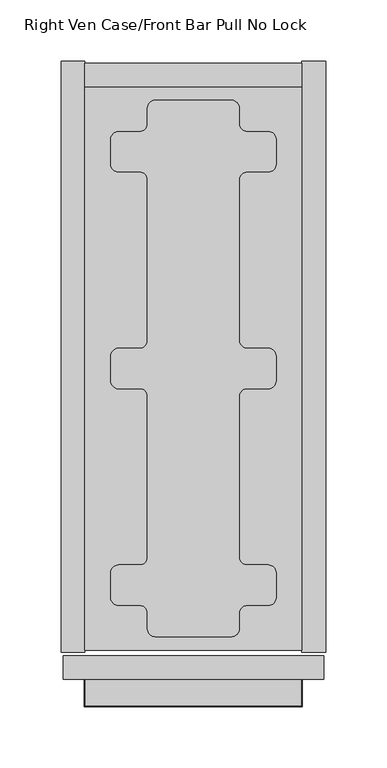
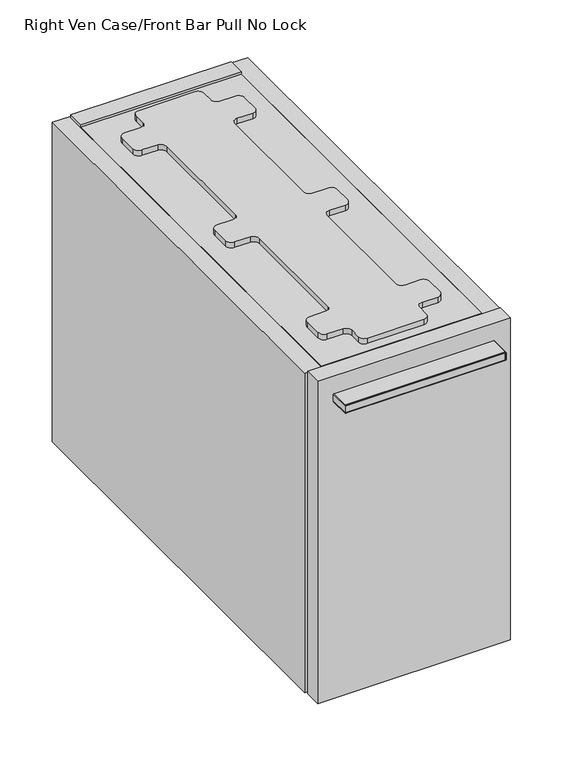
"""IFC4 building model written with IfcOpenShell, lengths in millimetres: furniture geometry, Right Ven Case/Front Bar Pull No Lock."""

from ifc_helpers import new_model, si_unit, point, frame, frame_2d, origin, place, context, project, spatial, polyline, circle_curve, ellipse_curve, trimmed, segment, composite_curve, outline, extrude, source, transform, mapped, element, save
from ifc_brep_helpers import plane_surface, cylinder_surface, revolved_surface, advanced_brep


def right_ven_case_front_bar_pull_no_lock_b028e070(model_context):
    return source(origin(), model_context, "Body", "SolidModel", [
        advanced_brep(
        [(19.7683778, -581.1520271, 637.437981), (49.4603655, -581.1520271, 637.437981), (49.4637762, -597.06699, 637.437981), (166.4396285, -597.06699, 637.437981), (166.4430392, -581.1520271, 637.437981), (196.1316162, -581.1520271, 637.437981), (196.1316162, -602.6150339, 637.437981), (19.7683778, -602.6150339, 637.437981), (196.1316162, -581.1520271, 646.962981), (19.7683778, -581.1520271, 646.962981), (19.7683778, -602.6150339, 646.962981), (196.1316162, -602.6150339, 646.962981), (165.6442639, -581.1520271, 638.1487745), (159.3341925, -581.1520271, 643.7879532), (56.5658015, -581.1520271, 643.7879532), (50.2557301, -581.1520271, 638.1487745), (56.5658015, -597.06699, 643.7879532), (159.3341925, -597.06699, 643.7879532), (165.6442639, -597.06699, 638.1487745), (50.2557301, -597.06699, 638.1487745)],
        [
            (0, 1),
            (1, 2),
            (2, 3),
            (3, 4),
            (4, 5),
            (5, 6),
            (6, 7),
            (7, 0),
            (8, 9),
            (9, 10),
            (10, 11),
            (11, 8),
            (8, 5),
            (4, 12, circle_curve(frame((166.4396285, -581.1520271, 638.2383687), z_axis=(0.0, 1.0, 0.0), x_axis=(0.0, 0.0, -1.0)), 0.8003949)),
            (12, 13, circle_curve(frame((159.3341925, -581.1520271, 637.4379738), z_axis=(0.0, -1.0, 0.0), x_axis=(0.0, 0.0, -1.0)), 6.3499794)),
            (13, 14),
            (14, 15, circle_curve(frame((56.5658015, -581.1520271, 637.4379738), z_axis=(0.0, -1.0, 0.0), x_axis=(0.0, 0.0, -1.0)), 6.3499794)),
            (15, 1, circle_curve(frame((49.4603655, -581.1520271, 638.2383687), z_axis=(0.0, 1.0, 0.0), x_axis=(0.0, 0.0, -1.0)), 0.8003949)),
            (0, 9),
            (7, 10),
            (6, 11),
            (16, 17),
            (17, 18, circle_curve(frame((159.3341925, -597.06699, 637.4379738), z_axis=(0.0, 1.0, 0.0), x_axis=(0.0, 0.0, -1.0)), 6.3499794)),
            (18, 3, circle_curve(frame((166.4396285, -597.06699, 638.2383687), z_axis=(0.0, -1.0, 0.0), x_axis=(0.0, 0.0, -1.0)), 0.8003949)),
            (2, 19, circle_curve(frame((49.4603655, -597.06699, 638.2383687), z_axis=(0.0, -1.0, 0.0), x_axis=(0.0, 0.0, -1.0)), 0.8003949)),
            (19, 16, circle_curve(frame((56.5658015, -597.06699, 637.4379738), z_axis=(0.0, 1.0, 0.0), x_axis=(0.0, 0.0, -1.0)), 6.3499794)),
            (19, 15),
            (14, 16),
            (18, 12),
            (17, 13),
        ],
        [
            plane_surface(frame((-88.5000089, -581.1520271, 637.437981), z_axis=(0.0, 0.0, -1.0), x_axis=(-1.0, 0.0, 0.0))),
            plane_surface(frame((-88.5000089, -581.1520271, 646.962981), z_axis=(0.0, 0.0, 1.0), x_axis=(1.0, 0.0, 0.0))),
            plane_surface(frame((196.1316162, -581.1520271, 637.437981), z_axis=(0.0, 1.0, 0.0), x_axis=(0.0, 0.0, 1.0))),
            plane_surface(frame((19.7683778, -581.1520271, 637.437981), z_axis=(-1.0, 0.0, 0.0), x_axis=(0.0, 0.0, 1.0))),
            plane_surface(frame((19.7683778, -602.6150339, 637.437981), z_axis=(0.0, -1.0, 0.0), x_axis=(0.0, 0.0, 1.0))),
            plane_surface(frame((196.1316162, -602.6150339, 637.437981), z_axis=(1.0, 0.0, 0.0), x_axis=(0.0, 0.0, 1.0))),
            plane_surface(frame((107.949997, -597.06699, 642.200481), z_axis=(0.0, 1.0, 0.0), x_axis=(-1.0, 0.0, 0.0))),
            revolved_surface(polyline([(56.5658015, -581.1520271, 631.0879944), (56.5658015, -597.06699, 631.0879944)]), (56.5658015, -581.1520271, 637.4379738), (0.0, 1.0, 0.0)),
            cylinder_surface(frame((49.4603655, -581.1520271, 638.2383687), z_axis=(0.0, -1.0, 0.0), x_axis=(0.0, 0.0, -1.0)), 0.8003949),
            cylinder_surface(frame((166.4396285, -581.1520271, 638.2383687), z_axis=(0.0, -1.0, 0.0), x_axis=(0.0, 0.0, -1.0)), 0.8003949),
            revolved_surface(polyline([(159.3341925, -581.1520271, 631.0879944), (159.3341925, -597.06699, 631.0879944)]), (159.3341925, -581.1520271, 637.4379738), (0.0, 1.0, 0.0)),
            plane_surface(frame((159.3341925, -581.1520271, 643.7879532), z_axis=(0.0, 0.0, -1.0), x_axis=(0.0, -1.0, 0.0))),
        ],
        [
            (0, [[1, 2, 3, 4, 5, 6, 7, 8]]),
            (1, [[9, 10, 11, 12]]),
            (2, [[13, -5, 14, 15, 16, 17, 18, -1, 19, -9]]),
            (3, [[20, -10, -19, -8]]),
            (4, [[21, -11, -20, -7]]),
            (5, [[-13, -12, -21, -6]]),
            (6, [[22, 23, 24, -3, 25, 26]]),
            (7, [[27, -17, 28, -26]]),
            (8, [[-2, -18, -27, -25]]),
            (9, [[29, -14, -4, -24]]),
            (10, [[30, -15, -29, -23]]),
            (11, [[-28, -16, -30, -22]]),
        ],
    ),
        advanced_brep(
        [(196.1316162, -581.1520271, 637.4379629), (196.1316162, -581.1520271, 646.9577374), (196.8935973, -581.1520271, 646.1957018), (196.8935973, -581.1520271, 638.1999258), (196.8935973, -603.377015, 638.1999258), (196.1316162, -602.6150339, 637.4379629), (196.8935973, -603.377015, 646.1957018), (196.1316162, -602.6150339, 646.9577374), (19.0063967, -603.377015, 638.1999258), (19.7683778, -602.6150339, 637.4379629), (19.0063967, -603.377015, 646.1957018), (19.7683778, -602.6150339, 646.9577374), (19.7683778, -581.1520271, 637.4379629), (19.0063967, -581.1520271, 638.1999258), (19.0063967, -581.1520271, 646.1957018), (19.7683778, -581.1520271, 646.9577374)],
        [
            (0, 1),
            (1, 2, circle_curve(frame((196.1315617, -581.1520271, 646.1957018), z_axis=(0.0, 1.0, 0.0), x_axis=(-1.0, 0.0, 0.0)), 0.7620356)),
            (2, 3),
            (3, 0, circle_curve(frame((196.1316343, -581.1520271, 638.1999258), z_axis=(0.0, 1.0, 0.0), x_axis=(-1.0, 0.0, 0.0)), 0.7619629)),
            (3, 4),
            (4, 5, ellipse_curve(frame((196.1316343, -602.6150521, 638.1999258), z_axis=(0.7071067811865492, 0.7071067811865458, 0.0), x_axis=(-0.7071067811865457, 0.7071067811865492, 0.0)), 1.0775783, 0.7619629)),
            (5, 0),
            (2, 6),
            (6, 4),
            (1, 7),
            (7, 6, ellipse_curve(frame((196.1315617, -602.6149794, 646.1957018), z_axis=(0.7071067811865492, 0.7071067811865458, 0.0), x_axis=(-0.7071067811865457, 0.7071067811865492, 0.0)), 1.0776811, 0.7620356)),
            (5, 7),
            (4, 8),
            (8, 9, ellipse_curve(frame((19.7683596, -602.6150521, 638.1999258), z_axis=(0.7071067811865458, -0.7071067811865492, 0.0), x_axis=(0.7071067811865492, 0.7071067811865457, 0.0)), 1.0775783, 0.7619629)),
            (9, 5),
            (6, 10),
            (10, 8),
            (7, 11),
            (11, 10, ellipse_curve(frame((19.7684323, -602.6149794, 646.1957018), z_axis=(0.7071067811865458, -0.7071067811865492, 0.0), x_axis=(0.7071067811865492, 0.7071067811865457, 0.0)), 1.0776811, 0.7620356)),
            (9, 11),
            (12, 13, circle_curve(frame((19.7683596, -581.1520271, 638.1999258), z_axis=(0.0, 1.0, 0.0), x_axis=(1.0, 0.0, 0.0)), 0.7619629)),
            (13, 14),
            (14, 15, circle_curve(frame((19.7684323, -581.1520271, 646.1957018), z_axis=(0.0, 1.0, 0.0), x_axis=(1.0, 0.0, 0.0)), 0.7620356)),
            (15, 12),
            (8, 13),
            (12, 9),
            (10, 14),
            (11, 15),
        ],
        [
            plane_surface(frame((196.5959942, -581.1520271, 642.200481), z_axis=(0.0, 1.0, 0.0), x_axis=(0.0, 0.0, 1.0))),
            cylinder_surface(frame((196.1316343, -581.1520271, 638.1999258), z_axis=(0.0, 1.0, 0.0), x_axis=(-1.0, 0.0, 0.0)), 0.7619629),
            plane_surface(frame((196.8935973, -581.1520271, 638.1999258), z_axis=(1.0, 0.0, 0.0), x_axis=(0.0, -1.0, 0.0))),
            cylinder_surface(frame((196.1315617, -581.1520271, 646.1957018), z_axis=(0.0, 1.0, 0.0), x_axis=(-1.0, 0.0, 0.0)), 0.7620356),
            plane_surface(frame((196.1316162, -581.1520271, 646.9577374), z_axis=(-1.0, 0.0, 0.0), x_axis=(0.0, -1.0, 0.0))),
            cylinder_surface(frame((196.5959942, -602.6150521, 638.1999258), z_axis=(1.0, 0.0, 0.0), x_axis=(0.0, 1.0, 0.0)), 0.7619629),
            plane_surface(frame((196.8935973, -603.377015, 638.1999258), z_axis=(0.0, -1.0, 0.0), x_axis=(-1.0, 0.0, 0.0))),
            cylinder_surface(frame((196.5959942, -602.6149794, 646.1957018), z_axis=(1.0, 0.0, 0.0), x_axis=(0.0, 1.0, 0.0)), 0.7620356),
            plane_surface(frame((196.1316162, -602.6150339, 646.9577374), z_axis=(0.0, 1.0, 0.0), x_axis=(-1.0, 0.0, 0.0))),
            plane_surface(frame((19.3039998, -581.1520271, 642.200481), z_axis=(0.0, 1.0, 0.0), x_axis=(0.0, 0.0, 1.0))),
            cylinder_surface(frame((19.7683596, -603.0794119, 638.1999258), z_axis=(0.0, -1.0, 0.0), x_axis=(1.0, 0.0, 0.0)), 0.7619629),
            plane_surface(frame((19.0063967, -603.377015, 638.1999258), z_axis=(-1.0, 0.0, 0.0), x_axis=(0.0, 1.0, 0.0))),
            cylinder_surface(frame((19.7684323, -603.0794119, 646.1957018), z_axis=(0.0, -1.0, 0.0), x_axis=(1.0, 0.0, 0.0)), 0.7620356),
            plane_surface(frame((19.7683778, -602.6150339, 646.9577374), z_axis=(1.0, 0.0, 0.0), x_axis=(0.0, 1.0, 0.0))),
        ],
        [
            (0, [[1, 2, 3, 4]]),
            (1, [[5, 6, 7, -4]]),
            (2, [[8, 9, -5, -3]]),
            (3, [[10, 11, -8, -2]]),
            (4, [[-7, 12, -10, -1]]),
            (5, [[13, 14, 15, -6]]),
            (6, [[16, 17, -13, -9]]),
            (7, [[18, 19, -16, -11]]),
            (8, [[-15, 20, -18, -12]]),
            (9, [[21, 22, 23, 24]]),
            (10, [[25, -21, 26, -14]]),
            (11, [[27, -22, -25, -17]]),
            (12, [[28, -23, -27, -19]]),
            (13, [[-26, -24, -28, -20]]),
        ],
    ),
        extrude(outline(composite_curve([segment(trimmed(circle_curve(frame_2d((139.0999988, -114.4669956)), 6.3499939), [point((139.0999988, -108.1170017))], [point((145.4499927, -114.4669956))], False, "CARTESIAN"), True, "CONTINUOUS"), segment(polyline([(145.4499927, -114.4669956), (145.4499927, -127.2670047)]), True, "CONTINUOUS"), segment(trimmed(circle_curve(frame_2d((151.7999957, -127.2670047)), 6.350003), [point((145.4499927, -127.2670047))], [point((151.7999957, -133.6170077))], True, "CARTESIAN"), True, "CONTINUOUS"), segment(polyline([(151.7999957, -133.6170077), (169.0999981, -133.6170077)]), True, "CONTINUOUS"), segment(trimmed(circle_curve(frame_2d((169.0999981, -139.9670016)), 6.3499939), [point((169.0999981, -133.6170077))], [point((175.449992, -139.9670016))], False, "CARTESIAN"), True, "CONTINUOUS"), segment(polyline([(175.449992, -139.9670016), (175.449992, -160.2670116)]), True, "CONTINUOUS"), segment(trimmed(circle_curve(frame_2d((169.0999936, -160.2670116)), 6.3499985), [point((175.449992, -160.2670116))], [point((169.0999936, -166.6170101))], False, "CARTESIAN"), True, "CONTINUOUS"), segment(polyline([(169.0999936, -166.6170101), (151.7999957, -166.6170101)]), True, "CONTINUOUS"), segment(trimmed(circle_curve(frame_2d((151.7999957, -172.9670131)), 6.350003), [point((151.7999957, -166.6170101))], [point((145.4499927, -172.9670131))], True, "CARTESIAN"), True, "CONTINUOUS"), segment(polyline([(145.4499927, -172.9670131), (145.4499927, -304.2670111)]), True, "CONTINUOUS"), segment(trimmed(circle_curve(frame_2d((151.7999957, -304.2670111)), 6.350003), [point((145.4499927, -304.2670111))], [point((151.7999957, -310.6170141))], True, "CARTESIAN"), True, "CONTINUOUS"), segment(polyline([(151.7999957, -310.6170141), (169.1000163, -310.6170141)]), True, "CONTINUOUS"), segment(trimmed(circle_curve(frame_2d((169.1000163, -316.9669899)), 6.3499758), [point((169.1000163, -310.6170141))], [point((175.449992, -316.9669899))], False, "CARTESIAN"), True, "CONTINUOUS"), segment(polyline([(175.449992, -316.9669899), (175.449992, -337.2670044)]), True, "CONTINUOUS"), segment(trimmed(circle_curve(frame_2d((169.1000163, -337.2670044)), 6.3499758), [point((175.449992, -337.2670044))], [point((169.1000163, -343.6169802))], False, "CARTESIAN"), True, "CONTINUOUS"), segment(polyline([(169.1000163, -343.6169802), (151.7999957, -343.6169802)]), True, "CONTINUOUS"), segment(trimmed(circle_curve(frame_2d((151.7999957, -349.9669832)), 6.350003), [point((151.7999957, -343.6169802))], [point((145.4499927, -349.9669832))], True, "CARTESIAN"), True, "CONTINUOUS"), segment(polyline([(145.4499927, -349.9669832), (145.4499927, -481.2669812)]), True, "CONTINUOUS"), segment(trimmed(circle_curve(frame_2d((151.7999957, -481.2669812)), 6.350003), [point((145.4499927, -481.2669812))], [point((151.7999957, -487.6169842))], True, "CARTESIAN"), True, "CONTINUOUS"), segment(polyline([(151.7999957, -487.6169842), (169.0999936, -487.6169842)]), True, "CONTINUOUS"), segment(trimmed(circle_curve(frame_2d((169.0999936, -493.9669827)), 6.3499985), [point((169.0999936, -487.6169842))], [point((175.449992, -493.9669827))], False, "CARTESIAN"), True, "CONTINUOUS"), segment(polyline([(175.449992, -493.9669827), (175.449992, -514.2669927)]), True, "CONTINUOUS"), segment(trimmed(circle_curve(frame_2d((169.0999981, -514.2669927)), 6.3499939), [point((175.449992, -514.2669927))], [point((169.0999981, -520.6169867))], False, "CARTESIAN"), True, "CONTINUOUS"), segment(polyline([(169.0999981, -520.6169867), (151.7999957, -520.6169867)]), True, "CONTINUOUS"), segment(trimmed(circle_curve(frame_2d((151.7999957, -526.9669897)), 6.350003), [point((151.7999957, -520.6169867))], [point((145.4499927, -526.9669897))], True, "CARTESIAN"), True, "CONTINUOUS"), segment(polyline([(145.4499927, -526.9669897), (145.4499927, -539.7669987)]), True, "CONTINUOUS"), segment(trimmed(circle_curve(frame_2d((139.0999988, -539.7669987)), 6.3499939), [point((145.4499927, -539.7669987))], [point((139.0999988, -546.1169927))], False, "CARTESIAN"), True, "CONTINUOUS"), segment(polyline([(139.0999988, -546.1169927), (76.7999952, -546.1169927)]), True, "CONTINUOUS"), segment(trimmed(circle_curve(frame_2d((76.7999952, -539.7669987)), 6.3499939), [point((76.7999952, -546.1169927))], [point((70.4500012, -539.7669987))], False, "CARTESIAN"), True, "CONTINUOUS"), segment(polyline([(70.4500012, -539.7669987), (70.4500012, -526.9669897)]), True, "CONTINUOUS"), segment(trimmed(circle_curve(frame_2d((64.0999982, -526.9669897)), 6.350003), [point((70.4500012, -526.9669897))], [point((64.0999982, -520.6169867))], True, "CARTESIAN"), True, "CONTINUOUS"), segment(polyline([(64.0999982, -520.6169867), (46.7999959, -520.6169867)]), True, "CONTINUOUS"), segment(trimmed(circle_curve(frame_2d((46.7999959, -514.2669927)), 6.3499939), [point((46.7999959, -520.6169867))], [point((40.4500019, -514.2669927))], False, "CARTESIAN"), True, "CONTINUOUS"), segment(polyline([(40.4500019, -514.2669927), (40.4500019, -493.9669827)]), True, "CONTINUOUS"), segment(trimmed(circle_curve(frame_2d((46.8000004, -493.9669827)), 6.3499985), [point((40.4500019, -493.9669827))], [point((46.8000004, -487.6169842))], False, "CARTESIAN"), True, "CONTINUOUS"), segment(polyline([(46.8000004, -487.6169842), (64.0999982, -487.6169842)]), True, "CONTINUOUS"), segment(trimmed(circle_curve(frame_2d((64.0999982, -481.2669812)), 6.350003), [point((64.0999982, -487.6169842))], [point((70.4500012, -481.2669812))], True, "CARTESIAN"), True, "CONTINUOUS"), segment(polyline([(70.4500012, -481.2669812), (70.4500012, -349.9669832)]), True, "CONTINUOUS"), segment(trimmed(circle_curve(frame_2d((64.0999982, -349.9669832)), 6.350003), [point((70.4500012, -349.9669832))], [point((64.0999982, -343.6169802))], True, "CARTESIAN"), True, "CONTINUOUS"), segment(polyline([(64.0999982, -343.6169802), (46.7999777, -343.6169802)]), True, "CONTINUOUS"), segment(trimmed(circle_curve(frame_2d((46.7999777, -337.2670044)), 6.3499758), [point((46.7999777, -343.6169802))], [point((40.4500019, -337.2670044))], False, "CARTESIAN"), True, "CONTINUOUS"), segment(polyline([(40.4500019, -337.2670044), (40.4500019, -316.9669899)]), True, "CONTINUOUS"), segment(trimmed(circle_curve(frame_2d((46.7999777, -316.9669899)), 6.3499758), [point((40.4500019, -316.9669899))], [point((46.7999777, -310.6170141))], False, "CARTESIAN"), True, "CONTINUOUS"), segment(polyline([(46.7999777, -310.6170141), (64.0999982, -310.6170141)]), True, "CONTINUOUS"), segment(trimmed(circle_curve(frame_2d((64.0999982, -304.2670111)), 6.350003), [point((64.0999982, -310.6170141))], [point((70.4500012, -304.2670111))], True, "CARTESIAN"), True, "CONTINUOUS"), segment(polyline([(70.4500012, -304.2670111), (70.4500012, -172.9670131)]), True, "CONTINUOUS"), segment(trimmed(circle_curve(frame_2d((64.0999982, -172.9670131)), 6.350003), [point((70.4500012, -172.9670131))], [point((64.0999982, -166.6170101))], True, "CARTESIAN"), True, "CONTINUOUS"), segment(polyline([(64.0999982, -166.6170101), (46.8000004, -166.6170101)]), True, "CONTINUOUS"), segment(trimmed(circle_curve(frame_2d((46.8000004, -160.2670116)), 6.3499985), [point((46.8000004, -166.6170101))], [point((40.4500019, -160.2670116))], False, "CARTESIAN"), True, "CONTINUOUS"), segment(polyline([(40.4500019, -160.2670116), (40.4500019, -139.9670016)]), True, "CONTINUOUS"), segment(trimmed(circle_curve(frame_2d((46.7999959, -139.9670016)), 6.3499939), [point((40.4500019, -139.9670016))], [point((46.7999959, -133.6170077))], False, "CARTESIAN"), True, "CONTINUOUS"), segment(polyline([(46.7999959, -133.6170077), (64.0999982, -133.6170077)]), True, "CONTINUOUS"), segment(trimmed(circle_curve(frame_2d((64.0999982, -127.2670047)), 6.350003), [point((64.0999982, -133.6170077))], [point((70.4500012, -127.2670047))], True, "CARTESIAN"), True, "CONTINUOUS"), segment(polyline([(70.4500012, -127.2670047), (70.4500012, -114.4669956)]), True, "CONTINUOUS"), segment(trimmed(circle_curve(frame_2d((76.7999952, -114.4669956)), 6.3499939), [point((70.4500012, -114.4669956))], [point((76.7999952, -108.1170017))], False, "CARTESIAN"), True, "CONTINUOUS"), segment(polyline([(76.7999952, -108.1170017), (139.0999988, -108.1170017)]), True, "CONTINUOUS")], self_intersect=False)), frame((0.0, 0.0, 664.4129333), z_axis=(0.0, 0.0, 1.0), x_axis=(1.0, 0.0, 0.0)), (0.0, 0.0, 1.0), 6.3500484),
        extrude(outline(polyline([(19.3039998, -557.2409866), (19.3039998, -96.9930077), (196.5959942, -96.9930077), (196.5959942, -557.2409866), (19.3039998, -557.2409866)])), frame((0.0, 0.0, 645.1089518), z_axis=(0.0, 0.0, 1.0), x_axis=(1.0, 0.0, 0.0)), (0.0, 0.0, 1.0), 19.3039816),
        extrude(outline(polyline([(19.3039998, -557.2409866), (19.3039998, -96.9930077), (196.5959942, -96.9930077), (196.5959942, -557.2409866), (19.3039998, -557.2409866)])), frame((0.0, 0.0, 291.2879432), z_axis=(0.0, 0.0, 1.0), x_axis=(1.0, 0.0, 0.0)), (0.0, 0.0, 1.0), 19.3039998),
        extrude(outline(polyline([(19.3039998, -77.6890261), (196.5959942, -77.6890261), (196.5959942, -96.9930077), (19.3039998, -96.9930077), (19.3039998, -77.6890261)])), frame((0.0, 0.0, 291.2879432), z_axis=(0.0, 0.0, 1.0), x_axis=(1.0, 0.0, 0.0)), (0.0, 0.0, 1.0), 376.3000144),
        extrude(outline(polyline([(19.3039998, -558.7650215), (0.0, -558.7650215), (0.0, -76.1649912), (19.3039998, -76.1649912), (19.3039998, -558.7650215)])), frame((0.0, 0.0, 291.2879432), z_axis=(0.0, 0.0, 1.0), x_axis=(1.0, 0.0, 0.0)), (0.0, 0.0, 1.0), 373.1249901),
        extrude(outline(polyline([(196.5959942, -558.7650215), (196.5959942, -76.1649912), (215.8999939, -76.1649912), (215.8999939, -558.7650215), (196.5959942, -558.7650215)])), frame((0.0, 0.0, 291.2879432), z_axis=(0.0, 0.0, 1.0), x_axis=(1.0, 0.0, 0.0)), (0.0, 0.0, 1.0), 373.1249901),
        extrude(outline(polyline([(1.5748, -561.8480455), (214.325194, -561.8480455), (214.325194, -581.1520271), (1.5748, -581.1520271), (1.5748, -561.8480455)])), frame((0.0, 0.0, 291.2879432), z_axis=(0.0, 0.0, 1.0), x_axis=(1.0, 0.0, 0.0)), (0.0, 0.0, 1.0), 376.3000144),
    ])


if __name__ == "__main__":
    model = new_model("IFC4")
    model_context = context("Model", 3, world=origin())
    ifc_project = project(units=[si_unit("LENGTHUNIT", "METRE", prefix="MILLI")], contexts=[model_context])
    site = spatial("IfcSite", under=ifc_project)
    building = spatial("IfcBuilding", under=site)
    placement = place(None, origin())
    right_ven_case_front_bar_pull_no_lock_shape = right_ven_case_front_bar_pull_no_lock_b028e070(model_context)
    element("IfcFurniture", 1, ObjectType="Right Ven Case/Front Bar Pull No Lock", at=placement, inside=building, context=model_context, shape_type="MappedRepresentation", body=[
        mapped(right_ven_case_front_bar_pull_no_lock_shape, transform((0.0, 0.0, 0.0), x_axis=(1.0, 0.0, 0.0), y_axis=(0.0, 1.0, 0.0), z_axis=(0.0, 0.0, 1.0))),
    ])
    save(model, "model.ifc")
